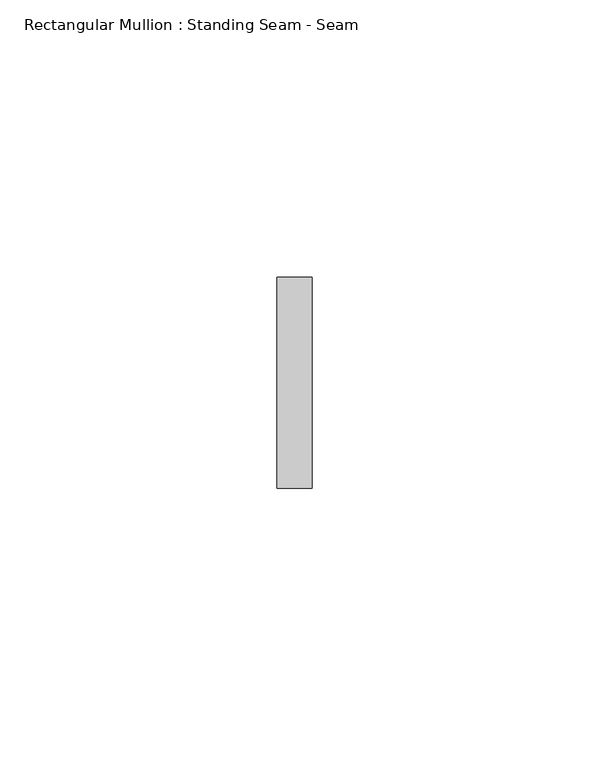
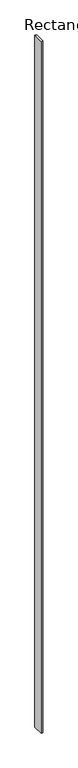
"""IFC4 building model written with IfcOpenShell, lengths in millimetres: member geometry, Rectangular Mullion : Standing Seam - Seam."""

import ifcopenshell
import ifcopenshell.guid

model = None  # the IFC model being written
_history = None  # IfcOwnerHistory: only IFC2X3 demands one
_inside = {}  # id of a spatial element -> (the spatial element, [elements in it])
_under = {}  # id of a project, library or spatial element -> (it, [spatial elements below it])
_declared = {}  # id of a project -> (the project, [libraries it declares])
_typed = {}  # id of a type object -> (the type object, [elements of that type])
_made_of = {}  # id of a material, layer set ... -> (it, [elements and type objects made of it])


def new_model(schema):
    """Start an empty IFC model of exactly this schema.

    Asked for "IFC4X3", IfcOpenShell would pick the latest addendum, in which some entities
    have other attributes; the version numbers below select the first issue.
    IFC2X3 requires an IfcOwnerHistory on every rooted entity: one is made here for all.
    """
    global model, _history
    if schema == "IFC4X3":
        model = ifcopenshell.file(schema_version=(4, 3, 0, 0))
    else:
        model = ifcopenshell.file(schema=schema)
    _inside.clear()
    _under.clear()
    _declared.clear()
    _typed.clear()
    _made_of.clear()
    _history = None
    if model.schema == "IFC2X3":
        org = make("IfcOrganization", Name="unknown")
        user = make(
            "IfcPersonAndOrganization",
            ThePerson=make("IfcPerson", FamilyName="unknown"),
            TheOrganization=org,
        )
        app = make(
            "IfcApplication",
            ApplicationDeveloper=org,
            Version="unknown",
            ApplicationFullName="unknown",
            ApplicationIdentifier="unknown",
        )
        _history = make(
            "IfcOwnerHistory",
            OwningUser=user,
            OwningApplication=app,
            ChangeAction="ADDED",
            CreationDate=0,
        )
    return model


def make(cls, **values):
    """One entity of the class cls with the attributes given. An attribute that is None is left unset."""
    return model.create_entity(
        cls, **{name: value for name, value in values.items() if value is not None}
    )


def rooted(cls, **values):
    """An entity with a GlobalId (a new one), such as an element, a storey or a relation."""
    return make(cls, GlobalId=ifcopenshell.guid.new(), OwnerHistory=_history, **values)


def si_unit(unit_type, name, prefix=None):
    """IfcSIUnit, for example si_unit("LENGTHUNIT", "METRE", prefix="MILLI")."""
    return make("IfcSIUnit", UnitType=unit_type, Prefix=prefix, Name=name)


def assignment(units):
    """IfcUnitAssignment: the units of a project."""
    return None if units is None else make("IfcUnitAssignment", Units=units)


def point(xyz):
    """IfcCartesianPoint."""
    return None if xyz is None else make("IfcCartesianPoint", Coordinates=xyz)


def direction(xyz):
    """IfcDirection."""
    return None if xyz is None else make("IfcDirection", DirectionRatios=xyz)


def frame(location, z_axis=None, x_axis=None):
    """IfcAxis2Placement3D, a coordinate frame: its origin and axes. An axis left out is left unset."""
    return make(
        "IfcAxis2Placement3D",
        Location=point(location),
        Axis=direction(z_axis),
        RefDirection=direction(x_axis),
    )


def origin():
    """The frame at (0, 0, 0) with its axes left unset."""
    return frame((0.0, 0.0, 0.0))


def place(relative_to, where):
    """IfcLocalPlacement: puts the frame where relative to a parent placement (None: the world)."""
    return make(
        "IfcLocalPlacement", PlacementRelTo=relative_to, RelativePlacement=where
    )


def context(
    kind, dimensions, precision=None, world=None, true_north=None, identifier=None
):
    """IfcGeometricRepresentationContext, for example the 3D "Model" context."""
    return make(
        "IfcGeometricRepresentationContext",
        ContextIdentifier=identifier,
        ContextType=kind,
        CoordinateSpaceDimension=dimensions,
        Precision=precision,
        WorldCoordinateSystem=world,
        TrueNorth=true_north,
    )


def project(units=None, contexts=None):
    """IfcProject with its units and contexts."""
    return rooted(
        "IfcProject",
        Name="project",
        RepresentationContexts=contexts,
        UnitsInContext=assignment(units),
    )


def spatial(cls, under=None, at=None, **own):
    """A site, building, storey or space (cls), placed at a placement, below another one or the project."""
    s = rooted(cls, ObjectPlacement=at, **own)
    if under is not None:
        _under.setdefault(under.id(), (under, []))[1].append(s)
    return s


def polyline(points):
    """IfcPolyline through the points."""
    return make("IfcPolyline", Points=[point(p) for p in points])


def outline(outer, holes=None, kind="AREA"):
    """IfcArbitraryClosedProfileDef: a profile drawn as a closed curve; with holes, ...WithVoids."""
    if holes is None:
        return make("IfcArbitraryClosedProfileDef", ProfileType=kind, OuterCurve=outer)
    return make(
        "IfcArbitraryProfileDefWithVoids",
        ProfileType=kind,
        OuterCurve=outer,
        InnerCurves=holes,
    )


def extrude(swept, where, along, depth):
    """IfcExtrudedAreaSolid: the profile swept, set in the frame where, extruded along a direction by depth."""
    return make(
        "IfcExtrudedAreaSolid",
        SweptArea=swept,
        Position=where,
        ExtrudedDirection=direction(along),
        Depth=depth,
    )


def shape(context_of_items, identifier, shape_type, items):
    """IfcShapeRepresentation: the items that make up one representation, for example the "Body"."""
    return make(
        "IfcShapeRepresentation",
        ContextOfItems=context_of_items,
        RepresentationIdentifier=identifier,
        RepresentationType=shape_type,
        Items=items,
    )


def source(mapping_origin, context_of_items, identifier, shape_type, items):
    """IfcRepresentationMap: a shape defined once, which mapped items show again and again."""
    return make(
        "IfcRepresentationMap",
        MappingOrigin=mapping_origin,
        MappedRepresentation=shape(context_of_items, identifier, shape_type, items),
    )


def transform(
    local_origin,
    x_axis=None,
    y_axis=None,
    z_axis=None,
    scale=None,
    scale2=None,
    scale3=None,
    uniform=True,
):
    """IfcCartesianTransformationOperator3D, or its non-uniform kind. x_axis, y_axis, z_axis: its Axis1, 2, 3."""
    if uniform:
        return make(
            "IfcCartesianTransformationOperator3D",
            Axis1=direction(x_axis),
            Axis2=direction(y_axis),
            LocalOrigin=point(local_origin),
            Scale=scale,
            Axis3=direction(z_axis),
        )
    return make(
        "IfcCartesianTransformationOperator3DnonUniform",
        Axis1=direction(x_axis),
        Axis2=direction(y_axis),
        LocalOrigin=point(local_origin),
        Scale=scale,
        Axis3=direction(z_axis),
        Scale2=scale2,
        Scale3=scale3,
    )


def mapped(mapping_source, mapping_target):
    """IfcMappedItem: shows the shape of a source again, moved by a transform."""
    return make(
        "IfcMappedItem", MappingSource=mapping_source, MappingTarget=mapping_target
    )


def made_of(thing, what):
    """Note that an element or type object is made of a material, layer set ...; save() writes the relation."""
    if what is not None:
        _made_of.setdefault(what.id(), (what, []))[1].append(thing)
    return thing


def element(
    cls,
    number,
    at=None,
    inside=None,
    cuts=None,
    type_object=None,
    material=None,
    context=None,
    identifier="Body",
    shape_type=None,
    held_by="IfcProductDefinitionShape",
    body=None,
    shapes=None,
    **own,
):
    """One element of the class cls, such as IfcWall. Its Tag is "e" and its number.

    at: its placement. inside: the storey or other place that contains it. cuts: it is an
    opening in that element (IfcRelVoidsElement). A single representation is given by context,
    identifier, shape_type and body (its items); several are given by shapes. held_by: the class
    of the entity that holds the representations. save() writes the other relations.
    """
    e = rooted(cls, Tag="e%d" % number, ObjectPlacement=at, **own)
    if body is not None:
        shapes = [shape(context, identifier, shape_type, body)]
    if shapes is not None:
        e.Representation = make(held_by, Representations=shapes)
    if inside is not None:
        _inside.setdefault(inside.id(), (inside, []))[1].append(e)
    if cuts is not None:
        rooted(
            "IfcRelVoidsElement", RelatingBuildingElement=cuts, RelatedOpeningElement=e
        )
    if type_object is not None:
        _typed.setdefault(type_object.id(), (type_object, []))[1].append(e)
    return made_of(e, material)


def aggregate(whole, parts):
    """IfcRelAggregates: a whole, such as a stair, and the parts it consists of."""
    return rooted("IfcRelAggregates", RelatingObject=whole, RelatedObjects=parts)


def save(model, path):
    """Write the relations noted so far, then the file.

    IfcRelAggregates (storeys below a building ...), IfcRelContainedInSpatialStructure (elements
    in a storey), IfcRelDefinesByType, IfcRelAssociatesMaterial and IfcRelDeclares: one each for
    every whole, place, type object, material and project.
    """
    for whole, parts in _under.values():
        aggregate(whole, parts)
    for where, things in _inside.values():
        rooted(
            "IfcRelContainedInSpatialStructure",
            RelatedElements=things,
            RelatingStructure=where,
        )
    for kind, things in _typed.values():
        rooted("IfcRelDefinesByType", RelatedObjects=things, RelatingType=kind)
    for what, things in _made_of.values():
        rooted("IfcRelAssociatesMaterial", RelatedObjects=things, RelatingMaterial=what)
    for by, libraries in _declared.values():
        rooted("IfcRelDeclares", RelatingContext=by, RelatedDefinitions=libraries)
    model.write(path)


def rectangular_mullion_standing_seam_seam_11311966(model_context):
    return source(origin(), model_context, "Body", "SweptSolid", [
        extrude(outline(polyline([(3.175, 41.275), (3.175, 3.175), (-3.175, 3.175), (-3.175, 41.275), (3.175, 41.275)])), frame((0.0, 0.0, -2640.2083744), z_axis=(0.0, 0.0, 1.0), x_axis=(1.0, 0.0, 0.0)), (0.0, 0.0, 1.0), 2640.2083744),
    ])


if __name__ == "__main__":
    model = new_model("IFC4")
    model_context = context("Model", 3, world=origin())
    ifc_project = project(units=[si_unit("LENGTHUNIT", "METRE", prefix="MILLI")], contexts=[model_context])
    site = spatial("IfcSite", under=ifc_project)
    building = spatial("IfcBuilding", under=site)
    placement = place(None, origin())
    rectangular_mullion_standing_seam_seam_shape = rectangular_mullion_standing_seam_seam_11311966(model_context)
    element("IfcMember", 1, ObjectType="Rectangular Mullion : Standing Seam - Seam", at=placement, inside=building, context=model_context, shape_type="MappedRepresentation", body=[
        mapped(rectangular_mullion_standing_seam_seam_shape, transform((0.0, 0.0, 0.0), x_axis=(1.0, 0.0, 0.0), y_axis=(0.0, 1.0, 0.0), z_axis=(0.0, 0.0, 1.0))),
    ])
    save(model, "model.ifc")
